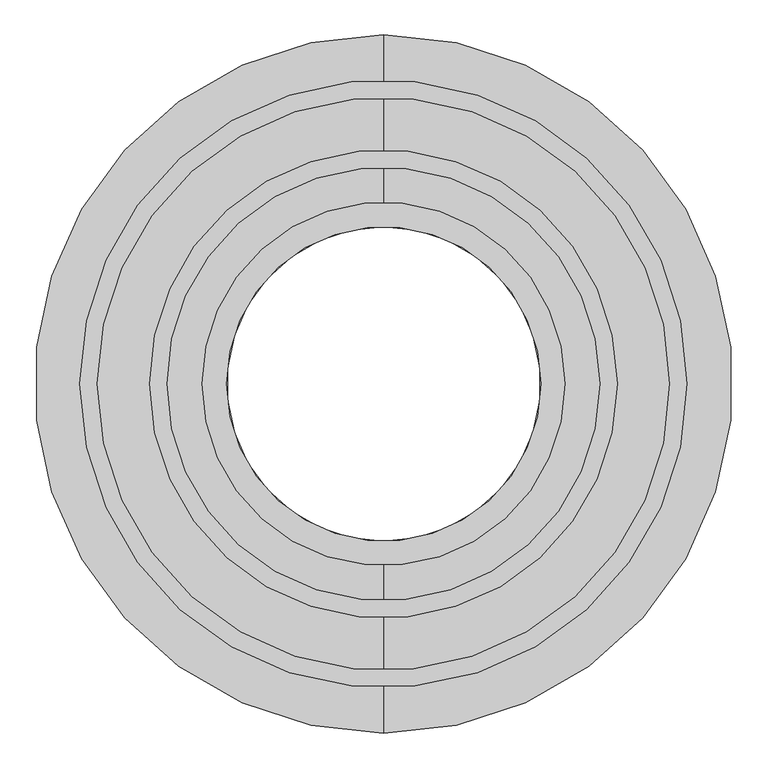
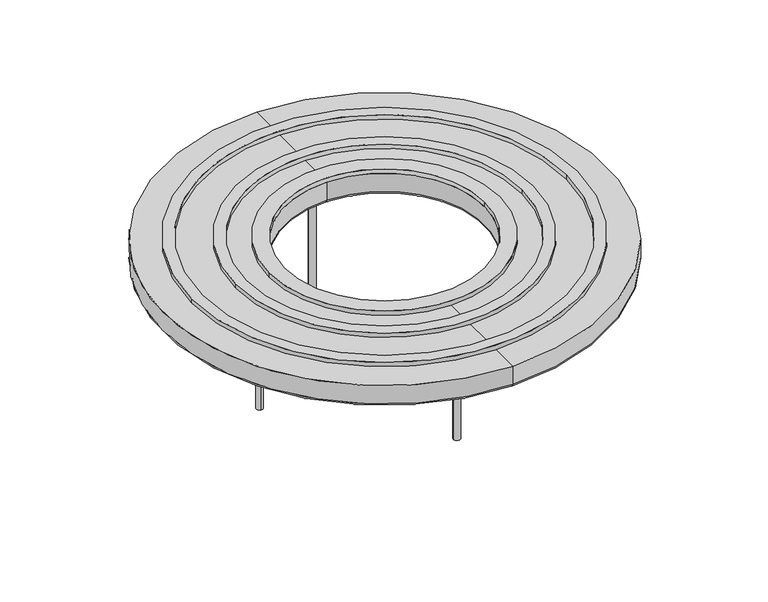
"""IFC4 building model written with IfcOpenShell, lengths in millimetres: furniture geometry."""

from ifc_helpers import new_model, si_unit, point, frame, frame_2d, origin, origin_with_axes, place, context, project, spatial, polyline, circle_curve, ellipse_curve, trimmed, segment, composite_curve, outline, extrude, source, transform, mapped, element, save
from ifc_brep_helpers import plane_surface, cylinder_surface, revolved_surface, advanced_brep


def furniture_64b92867(model_context):
    return source(origin(), model_context, "Body", "SolidModel", [
        extrude(outline(composite_curve([segment(trimmed(circle_curve(frame_2d((-0.4545, 0.033597)), 435.0), [point((-435.4545, 0.033597))], [point((434.5455, 0.033597))], False, "CARTESIAN"), True, "CONTINUOUS"), segment(trimmed(circle_curve(frame_2d((-0.4545, 0.033597)), 435.0), [point((434.5455, 0.033597))], [point((-435.4545, 0.033597))], False, "CARTESIAN"), True, "CONTINUOUS")], self_intersect=False), holes=[composite_curve([segment(trimmed(circle_curve(frame_2d((-0.4545, 0.033597)), 410.0), [point((-410.4545, 0.033597))], [point((409.5455, 0.033597))], True, "CARTESIAN"), True, "CONTINUOUS"), segment(trimmed(circle_curve(frame_2d((-0.4545, 0.033597)), 410.0), [point((409.5455, 0.033597))], [point((-410.4545, 0.033597))], True, "CARTESIAN"), True, "CONTINUOUS")], self_intersect=False)]), frame((0.0, 0.0, 303.784), z_axis=(0.0, 0.0, 1.0), x_axis=(1.0, 0.0, 0.0)), (0.0, 0.0, 1.0), 10.16),
        extrude(outline(composite_curve([segment(trimmed(circle_curve(frame_2d((-0.4545, 0.033597)), 335.0), [point((-335.4545, 0.033597))], [point((334.5455, 0.033597))], False, "CARTESIAN"), True, "CONTINUOUS"), segment(trimmed(circle_curve(frame_2d((-0.4545, 0.033597)), 335.0), [point((334.5455, 0.033597))], [point((-335.4545, 0.033597))], False, "CARTESIAN"), True, "CONTINUOUS")], self_intersect=False), holes=[composite_curve([segment(trimmed(circle_curve(frame_2d((-0.4545, 0.033597)), 310.0), [point((-310.4545, 0.033597))], [point((309.5455, 0.033597))], True, "CARTESIAN"), True, "CONTINUOUS"), segment(trimmed(circle_curve(frame_2d((-0.4545, 0.033597)), 310.0), [point((309.5455, 0.033597))], [point((-310.4545, 0.033597))], True, "CARTESIAN"), True, "CONTINUOUS")], self_intersect=False)]), frame((0.0, 0.0, 303.784), z_axis=(0.0, 0.0, 1.0), x_axis=(1.0, 0.0, 0.0)), (0.0, 0.0, 1.0), 10.16),
        extrude(outline(composite_curve([segment(trimmed(circle_curve(frame_2d((-0.4545, 0.033597)), 260.0), [point((-260.4545, 0.033597))], [point((259.5455, 0.033597))], False, "CARTESIAN"), True, "CONTINUOUS"), segment(trimmed(circle_curve(frame_2d((-0.4545, 0.033597)), 260.0), [point((259.5455, 0.033597))], [point((-260.4545, 0.033597))], False, "CARTESIAN"), True, "CONTINUOUS")], self_intersect=False), holes=[composite_curve([segment(trimmed(circle_curve(frame_2d((0.0, 0.033597)), 225.0), [point((-225.0, 0.033597))], [point((225.0, 0.033597))], True, "CARTESIAN"), True, "CONTINUOUS"), segment(trimmed(circle_curve(frame_2d((0.0, 0.033597)), 225.0), [point((225.0, 0.033597))], [point((-225.0, 0.033597))], True, "CARTESIAN"), True, "CONTINUOUS")], self_intersect=False)]), frame((0.0, 0.0, 303.784), z_axis=(0.0, 0.0, 1.0), x_axis=(1.0, 0.0, 0.0)), (0.0, 0.0, 1.0), 10.16),
        extrude(outline(composite_curve([segment(trimmed(circle_curve(frame_2d((282.194, 0.0)), 7.62), [point((282.194, 7.62))], [point((282.194, -7.62))], False, "CARTESIAN"), True, "CONTINUOUS"), segment(trimmed(circle_curve(frame_2d((282.194, 0.0)), 7.62), [point((282.194, -7.62))], [point((282.194, 7.62))], False, "CARTESIAN"), True, "CONTINUOUS")], self_intersect=False)), origin_with_axes(), (0.0, 0.0, 1.0), 256.54),
        extrude(outline(composite_curve([segment(trimmed(circle_curve(frame_2d((0.0, -282.194)), 7.62), [point((7.62, -282.194))], [point((-7.62, -282.194))], False, "CARTESIAN"), True, "CONTINUOUS"), segment(trimmed(circle_curve(frame_2d((0.0, -282.194)), 7.62), [point((-7.62, -282.194))], [point((7.62, -282.194))], False, "CARTESIAN"), True, "CONTINUOUS")], self_intersect=False)), origin_with_axes(), (0.0, 0.0, 1.0), 256.54),
        extrude(outline(composite_curve([segment(trimmed(circle_curve(frame_2d((-282.194, 0.0)), 7.62), [point((-282.194, -7.62))], [point((-282.194, 7.62))], False, "CARTESIAN"), True, "CONTINUOUS"), segment(trimmed(circle_curve(frame_2d((-282.194, 0.0)), 7.62), [point((-282.194, 7.62))], [point((-282.194, -7.62))], False, "CARTESIAN"), True, "CONTINUOUS")], self_intersect=False)), origin_with_axes(), (0.0, 0.0, 1.0), 256.54),
        advanced_brep(
        [(0.0, -225.044, 260.35), (0.0, 225.044, 260.35), (0.0, 225.044, 303.784), (0.0, -225.044, 303.784), (0.0, -231.394, 254.0), (0.0, 231.394, 254.0), (0.0, -493.649, 254.0), (0.0, 493.649, 254.0), (0.0, -499.999, 260.35), (0.0, 499.999, 260.35), (0.0, -499.999, 303.784), (0.0, 499.999, 303.784)],
        [
            (0, 1, circle_curve(frame((0.0, 0.0, 260.35), z_axis=(0.0, 0.0, -1.0), x_axis=(0.0, 1.0, 0.0)), 225.044)),
            (1, 2),
            (2, 3, circle_curve(frame((0.0, 0.0, 303.784), z_axis=(0.0, 0.0, 1.0), x_axis=(0.0, 1.0, 0.0)), 225.044)),
            (3, 0),
            (1, 0, circle_curve(frame((0.0, 0.0, 260.35), z_axis=(0.0, 0.0, -1.0), x_axis=(0.0, 1.0, 0.0)), 225.044)),
            (3, 2, circle_curve(frame((0.0, 0.0, 303.784), z_axis=(0.0, 0.0, 1.0), x_axis=(0.0, 1.0, 0.0)), 225.044)),
            (4, 5, circle_curve(frame((0.0, 0.0, 254.0), z_axis=(0.0, 0.0, -1.0), x_axis=(0.0, 1.0, 0.0)), 231.394)),
            (5, 1, circle_curve(frame((0.0, 231.394, 260.35), z_axis=(-1.0, 0.0, 0.0), x_axis=(0.0, 1.0, 0.0)), 6.35)),
            (0, 4, circle_curve(frame((0.0, -231.394, 260.35), z_axis=(-1.0, 0.0, 0.0), x_axis=(0.0, -1.0, 0.0)), 6.35)),
            (5, 4, circle_curve(frame((0.0, 0.0, 254.0), z_axis=(0.0, 0.0, -1.0), x_axis=(0.0, 1.0, 0.0)), 231.394)),
            (6, 7, circle_curve(frame((0.0, 0.0, 254.0), z_axis=(0.0, 0.0, -1.0), x_axis=(0.0, 1.0, 0.0)), 493.649)),
            (7, 5),
            (4, 6),
            (7, 6, circle_curve(frame((0.0, 0.0, 254.0), z_axis=(0.0, 0.0, -1.0), x_axis=(0.0, 1.0, 0.0)), 493.649)),
            (8, 9, circle_curve(frame((0.0, 0.0, 260.35), z_axis=(0.0, 0.0, -1.0), x_axis=(0.0, 1.0, 0.0)), 499.999)),
            (9, 7, circle_curve(frame((0.0, 493.649, 260.35), z_axis=(-1.0, 0.0, 0.0), x_axis=(0.0, 1.0, 0.0)), 6.35)),
            (6, 8, circle_curve(frame((0.0, -493.649, 260.35), z_axis=(-1.0, 0.0, 0.0), x_axis=(0.0, -1.0, 0.0)), 6.35)),
            (9, 8, circle_curve(frame((0.0, 0.0, 260.35), z_axis=(0.0, 0.0, -1.0), x_axis=(0.0, 1.0, 0.0)), 499.999)),
            (10, 11, circle_curve(frame((0.0, 0.0, 303.784), z_axis=(0.0, 0.0, -1.0), x_axis=(0.0, 1.0, 0.0)), 499.999)),
            (11, 9),
            (8, 10),
            (11, 10, circle_curve(frame((0.0, 0.0, 303.784), z_axis=(0.0, 0.0, -1.0), x_axis=(0.0, 1.0, 0.0)), 499.999)),
            (2, 11),
            (10, 3),
        ],
        [
            revolved_surface(polyline([(0.0, 225.044, 303.784), (0.0, 225.044, 260.35)]), (0.0, 0.0, 633.984), (0.0, 0.0, 1.0)),
            revolved_surface(trimmed(ellipse_curve(frame((0.0, 231.394, 260.35), z_axis=(1.0, 0.0, 0.0), x_axis=(0.0, 1.0, 0.0)), 6.35, 6.35), [point((0.0, 225.044, 260.35))], [point((0.0, 231.394, 254.0))], True, "CARTESIAN"), (0.0, 0.0, 633.984), (0.0, 0.0, 1.0)),
            plane_surface(frame((0.0, 0.0, 254.0), z_axis=(0.0, 0.0, -1.0), x_axis=(0.0, 1.0, 0.0))),
            revolved_surface(trimmed(ellipse_curve(frame((0.0, 493.649, 260.35), z_axis=(1.0, 0.0, 0.0), x_axis=(0.0, 1.0, 0.0)), 6.35, 6.35), [point((0.0, 493.649, 254.0))], [point((0.0, 499.999, 260.35))], True, "CARTESIAN"), (0.0, 0.0, 633.984), (0.0, 0.0, 1.0)),
            cylinder_surface(frame((0.0, 0.0, 633.984), z_axis=(0.0, 0.0, 1.0), x_axis=(0.0, 1.0, 0.0)), 499.999),
            plane_surface(frame((0.0, 0.0, 303.784), z_axis=(0.0, 0.0, 1.0), x_axis=(0.0, 1.0, 0.0))),
        ],
        [
            (0, [[1, 2, 3, 4]]),
            (0, [[5, -4, 6, -2]]),
            (1, [[7, 8, -1, 9]]),
            (1, [[10, -9, -5, -8]]),
            (2, [[11, 12, -7, 13]]),
            (2, [[14, -13, -10, -12]]),
            (3, [[15, 16, -11, 17]]),
            (3, [[18, -17, -14, -16]]),
            (4, [[19, 20, -15, 21]]),
            (4, [[22, -21, -18, -20]]),
            (5, [[-3, 23, -19, 24]]),
            (5, [[-6, -24, -22, -23]]),
        ],
    ),
        extrude(outline(composite_curve([segment(trimmed(circle_curve(frame_2d((0.0, 282.194)), 7.62), [point((-7.62, 282.194))], [point((7.62, 282.194))], False, "CARTESIAN"), True, "CONTINUOUS"), segment(trimmed(circle_curve(frame_2d((0.0, 282.194)), 7.62), [point((7.62, 282.194))], [point((-7.62, 282.194))], False, "CARTESIAN"), True, "CONTINUOUS")], self_intersect=False)), origin_with_axes(), (0.0, 0.0, 1.0), 256.54),
    ])


if __name__ == "__main__":
    model = new_model("IFC4")
    model_context = context("Model", 3, world=origin())
    ifc_project = project(units=[si_unit("LENGTHUNIT", "METRE", prefix="MILLI")], contexts=[model_context])
    site = spatial("IfcSite", under=ifc_project)
    building = spatial("IfcBuilding", under=site)
    placement = place(None, origin())
    furniture_shape = furniture_64b92867(model_context)
    element("IfcFurniture", 1, at=placement, inside=building, context=model_context, shape_type="MappedRepresentation", body=[
        mapped(furniture_shape, transform((0.0, 0.0, 0.0), x_axis=(1.0, 0.0, 0.0), y_axis=(0.0, 1.0, 0.0), z_axis=(0.0, 0.0, 1.0))),
    ])
    save(model, "model.ifc")
